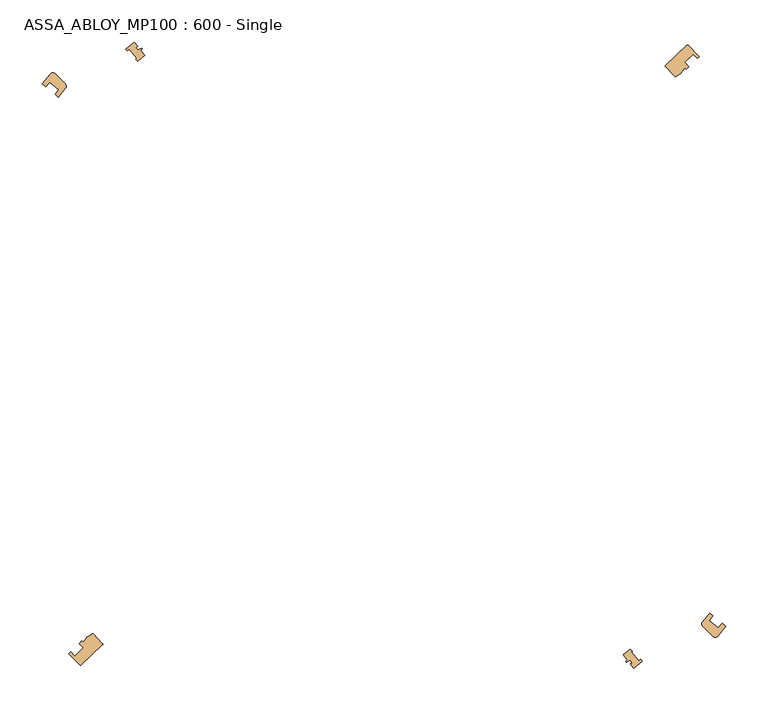
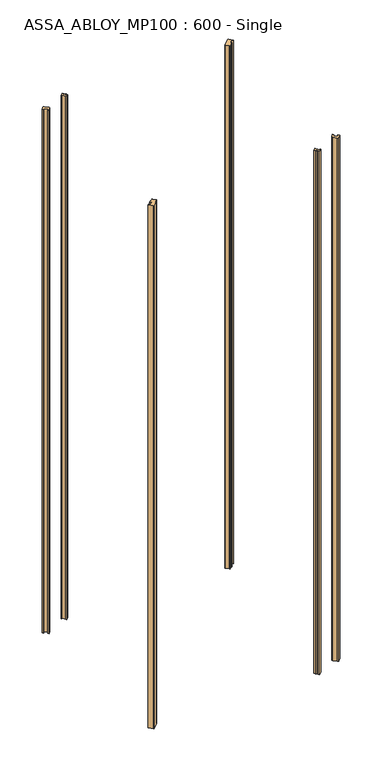
"""IFC4 building model written with IfcOpenShell, lengths in millimetres: door geometry, ASSA_ABLOY_MP100 : 600 - Single."""

from ifc_helpers import new_model, si_unit, point, frame_2d, origin, origin_with_axes, place, context, project, spatial, polyline, circle_curve, trimmed, segment, composite_curve, outline, extrude, source, transform, mapped, element, save


def assa_abloy_mp100_600_single_bae2fab2(model_context):
    return source(origin(), model_context, "Body", "SweptSolid", [
        extrude(outline(composite_curve([segment(polyline([(459.8644246, 344.4806609), (485.0727221, 368.3357214)]), True, "CONTINUOUS"), segment(trimmed(circle_curve(frame_2d((485.7600645, 367.6093879)), 1.0), [point((485.0727221, 368.3357214))], [point((486.4631943, 368.3204493))], False, "CARTESIAN"), True, "CONTINUOUS"), segment(trimmed(circle_curve(frame_2d((-121.4267132, -246.4267132)), 864.5485606), [point((486.4631943, 368.3204493))], [point((499.7944617, 354.8456588))], False, "CARTESIAN"), True, "CONTINUOUS"), segment(polyline([(499.7944617, 354.8456588), (497.6388124, 352.7592322)]), True, "CONTINUOUS"), segment(trimmed(circle_curve(frame_2d((-121.4267132, -246.4267132)), 861.5485606), [point((497.6388124, 352.7592322))], [point((492.7500498, 357.769303))], True, "CARTESIAN"), True, "CONTINUOUS"), segment(polyline([(492.7500498, 357.769303), (482.6900154, 348.0323188)]), True, "CONTINUOUS"), segment(trimmed(circle_curve(frame_2d((-121.4267132, -246.4267132)), 847.5485606), [point((482.6900154, 348.0323188))], [point((487.5791155, 343.0225748))], False, "CARTESIAN"), True, "CONTINUOUS"), segment(polyline([(487.5791155, 343.0225748), (484.1079757, 339.662901), (482.6231574, 341.2356527), (478.626592, 336.1349594)]), True, "CONTINUOUS"), segment(trimmed(circle_curve(frame_2d((475.4779861, 338.6019984)), 4.0), [point((478.626592, 336.1349594))], [point((477.7677205, 335.322194))], False, "CARTESIAN"), True, "CONTINUOUS"), segment(polyline([(477.7677205, 335.322194), (471.8210526, 331.1706386)]), True, "CONTINUOUS"), segment(trimmed(circle_curve(frame_2d((471.549245, 332.1329902)), 1.0), [point((471.8210526, 331.1706386))], [point((470.8229115, 331.4456478))], False, "CARTESIAN"), True, "CONTINUOUS"), segment(polyline([(470.8229115, 331.4456478), (459.8254334, 343.0669849)]), True, "CONTINUOUS"), segment(trimmed(circle_curve(frame_2d((460.5517669, 343.7543273)), 1.0), [point((459.8254334, 343.0669849))], [point((459.8644246, 344.4806609))], False, "CARTESIAN"), True, "CONTINUOUS")], self_intersect=False)), origin_with_axes(), (0.0, 0.0, 1.0), 2200.0),
        extrude(outline(composite_curve([segment(polyline([(-209.8644246, -344.4806609), (-235.0727221, -368.3357214)]), True, "CONTINUOUS"), segment(trimmed(circle_curve(frame_2d((-235.7600645, -367.6093879)), 1.0), [point((-235.0727221, -368.3357214))], [point((-236.4631943, -368.3204493))], False, "CARTESIAN"), True, "CONTINUOUS"), segment(trimmed(circle_curve(frame_2d((371.4267132, 246.4267132)), 864.5485606), [point((-236.4631943, -368.3204493))], [point((-249.7944617, -354.8456588))], False, "CARTESIAN"), True, "CONTINUOUS"), segment(polyline([(-249.7944617, -354.8456588), (-247.6388124, -352.7592322)]), True, "CONTINUOUS"), segment(trimmed(circle_curve(frame_2d((371.4267132, 246.4267132)), 861.5485606), [point((-247.6388124, -352.7592322))], [point((-242.7500498, -357.769303))], True, "CARTESIAN"), True, "CONTINUOUS"), segment(polyline([(-242.7500498, -357.769303), (-232.6900154, -348.0323188)]), True, "CONTINUOUS"), segment(trimmed(circle_curve(frame_2d((371.4267132, 246.4267132)), 847.5485606), [point((-232.6900154, -348.0323188))], [point((-237.5791155, -343.0225748))], False, "CARTESIAN"), True, "CONTINUOUS"), segment(polyline([(-237.5791155, -343.0225748), (-234.1079757, -339.662901), (-232.6231574, -341.2356527), (-228.626592, -336.1349594)]), True, "CONTINUOUS"), segment(trimmed(circle_curve(frame_2d((-225.4779861, -338.6019984)), 4.0), [point((-228.626592, -336.1349594))], [point((-227.7677205, -335.322194))], False, "CARTESIAN"), True, "CONTINUOUS"), segment(polyline([(-227.7677205, -335.322194), (-221.8210526, -331.1706386)]), True, "CONTINUOUS"), segment(trimmed(circle_curve(frame_2d((-221.549245, -332.1329902)), 1.0), [point((-221.8210526, -331.1706386))], [point((-220.8229115, -331.4456478))], False, "CARTESIAN"), True, "CONTINUOUS"), segment(polyline([(-220.8229115, -331.4456478), (-209.8254334, -343.0669849)]), True, "CONTINUOUS"), segment(trimmed(circle_curve(frame_2d((-210.5517669, -343.7543273)), 1.0), [point((-209.8254334, -343.0669849))], [point((-209.8644246, -344.4806609))], False, "CARTESIAN"), True, "CONTINUOUS")], self_intersect=False)), origin_with_axes(), (0.0, 0.0, 1.0), 2200.0),
        extrude(outline(composite_curve([segment(polyline([(-281.4983781, 322.3103513), (-271.8361648, 334.0678909)]), True, "CONTINUOUS"), segment(trimmed(circle_curve(frame_2d((-268.7493539, 331.5239572)), 4.0), [point((-271.8361648, 334.0678909))], [point((-265.9209268, 334.3523843))], False, "CARTESIAN"), True, "CONTINUOUS"), segment(polyline([(-265.9209268, 334.3523843), (-253.9140144, 322.3454719)]), True, "CONTINUOUS"), segment(trimmed(circle_curve(frame_2d((-256.7424415, 319.5170448)), 4.0), [point((-253.9140144, 322.3454719))], [point((-253.6520168, 316.9775026))], False, "CARTESIAN"), True, "CONTINUOUS"), segment(polyline([(-253.6520168, 316.9775026), (-261.9843094, 306.8377525), (-266.0442832, 310.0568836)]), True, "CONTINUOUS"), segment(trimmed(circle_curve(frame_2d((125.0, 0.0)), 499.05), [point((-266.0442832, 310.0568836))], [point((-261.6567534, 315.5114223))], False, "CARTESIAN"), True, "CONTINUOUS"), segment(polyline([(-261.6567534, 315.5114223), (-272.6278863, 324.2103739)]), True, "CONTINUOUS"), segment(trimmed(circle_curve(frame_2d((125.0, 0.0)), 513.05), [point((-272.6278863, 324.2103739))], [point((-277.0143663, 318.7550028))], True, "CARTESIAN"), True, "CONTINUOUS"), segment(polyline([(-277.0143663, 318.7550028), (-281.4983781, 322.3103513)]), True, "CONTINUOUS")], self_intersect=False)), origin_with_axes(), (0.0, 0.0, 1.0), 2200.0),
        extrude(outline(composite_curve([segment(polyline([(531.5010307, -322.3071234), (521.836164, -334.0678916)]), True, "CONTINUOUS"), segment(trimmed(circle_curve(frame_2d((518.7493889, -331.5246855)), 3.9995097), [point((521.836164, -334.0678916))], [point((515.9213085, -334.352766))], False, "CARTESIAN"), True, "CONTINUOUS"), segment(polyline([(515.9213085, -334.352766), (503.919097, -322.3505545)]), True, "CONTINUOUS"), segment(trimmed(circle_curve(frame_2d((506.7475241, -319.5221274)), 4.0), [point((503.919097, -322.3505545))], [point((503.6570993, -316.9825851))], False, "CARTESIAN"), True, "CONTINUOUS"), segment(polyline([(503.6570993, -316.9825851), (511.992441, -306.8391246), (516.045652, -310.0528404)]), True, "CONTINUOUS"), segment(trimmed(circle_curve(frame_2d((125.0, 0.0)), 499.0485606), [point((516.045652, -310.0528404))], [point((511.658166, -315.5074144))], False, "CARTESIAN"), True, "CONTINUOUS"), segment(polyline([(511.658166, -315.5074144), (522.629369, -324.2062776)]), True, "CONTINUOUS"), segment(trimmed(circle_curve(frame_2d((125.0, 0.0)), 513.0485606), [point((522.629369, -324.2062776))], [point((527.0158052, -318.7508713))], True, "CARTESIAN"), True, "CONTINUOUS"), segment(polyline([(527.0158052, -318.7508713), (531.5010307, -322.3071234)]), True, "CONTINUOUS")], self_intersect=False)), origin_with_axes(), (0.0, 0.0, 1.0), 2200.0),
        extrude(outline(composite_curve([segment(polyline([(-163.8827094, 362.0076821), (-159.4209869, 356.4276956)]), True, "CONTINUOUS"), segment(trimmed(circle_curve(frame_2d((125.0, 0.0)), 456.0), [point((-159.4209869, 356.4276956))], [point((-167.9134872, 349.4820296))], True, "CARTESIAN"), True, "CONTINUOUS"), segment(polyline([(-167.9134872, 349.4820296), (-170.2343124, 351.8028549), (-169.19236, 352.6359936), (-177.9353819, 363.5703233), (-180.1950024, 361.7635449), (-182.2073885, 363.775931)]), True, "CONTINUOUS"), segment(trimmed(circle_curve(frame_2d((125.0, 0.0)), 476.1400084), [point((-182.2073885, 363.775931))], [point((-171.9984596, 372.1575239))], False, "CARTESIAN"), True, "CONTINUOUS"), segment(polyline([(-171.9984596, 372.1575239), (-167.9419696, 367.0843352), (-169.8945285, 365.5230813), (-167.708773, 362.7894989), (-162.9669818, 364.8656336), (-162.3484872, 364.0921226), (-163.8827094, 362.0076821)]), True, "CONTINUOUS")], self_intersect=False)), origin_with_axes(), (0.0, 0.0, 1.0), 2200.0),
        extrude(outline(composite_curve([segment(polyline([(413.8801307, -362.0051035), (409.4209869, -356.4276956)]), True, "CONTINUOUS"), segment(trimmed(circle_curve(frame_2d((125.0, 0.0)), 456.0), [point((409.4209869, -356.4276956))], [point((417.9134872, -349.4820296))], True, "CARTESIAN"), True, "CONTINUOUS"), segment(polyline([(417.9134872, -349.4820296), (420.2343124, -351.8028549), (419.19236, -352.6359936), (427.935382, -363.5703233), (430.1950024, -361.7635449), (432.2048169, -363.7733594)]), True, "CONTINUOUS"), segment(trimmed(circle_curve(frame_2d((125.0, 0.0)), 476.1363844), [point((432.2048169, -363.7733594))], [point((421.995881, -372.1549452))], False, "CARTESIAN"), True, "CONTINUOUS"), segment(polyline([(421.995881, -372.1549452), (417.9393909, -367.0817566), (419.8919498, -365.5205026), (417.7061943, -362.7869202), (412.9644031, -364.8630549), (412.3459086, -364.089544), (413.8801307, -362.0051035)]), True, "CONTINUOUS")], self_intersect=False)), origin_with_axes(), (0.0, 0.0, 1.0), 2200.0),
    ])


if __name__ == "__main__":
    model = new_model("IFC4")
    model_context = context("Model", 3, world=origin())
    ifc_project = project(units=[si_unit("LENGTHUNIT", "METRE", prefix="MILLI")], contexts=[model_context])
    site = spatial("IfcSite", under=ifc_project)
    building = spatial("IfcBuilding", under=site)
    placement = place(None, origin())
    assa_abloy_mp100_600_single_shape = assa_abloy_mp100_600_single_bae2fab2(model_context)
    element("IfcDoor", 1, ObjectType="ASSA_ABLOY_MP100 : 600 - Single", at=placement, inside=building, context=model_context, shape_type="MappedRepresentation", body=[
        mapped(assa_abloy_mp100_600_single_shape, transform((0.0, 0.0, 0.0), x_axis=(1.0, 0.0, 0.0), y_axis=(0.0, 1.0, 0.0), z_axis=(0.0, 0.0, 1.0))),
    ])
    save(model, "model.ifc")
